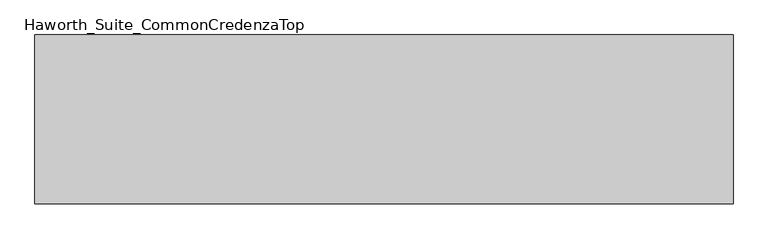
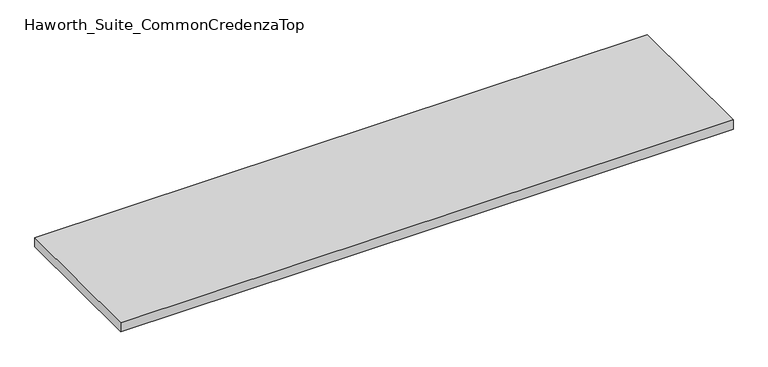
"""IFC4 building model written with IfcOpenShell, lengths in millimetres: furniture geometry, Haworth_Suite_CommonCredenzaTop."""

from ifc_helpers import new_model, si_unit, frame, origin, place, context, project, spatial, polyline, outline, extrude, source, transform, mapped, element, save


def haworth_suite_commoncredenzatop_9fd3beeb(model_context):
    return source(origin(), model_context, "Body", "SweptSolid", [
        extrude(outline(polyline([(1206.5, -31.75), (1206.5, -622.3), (-1231.9, -622.3), (-1231.9, -31.75), (1206.5, -31.75)])), frame((0.0, 0.0, 711.2), z_axis=(0.0, 0.0, 1.0), x_axis=(1.0, 0.0, 0.0)), (0.0, 0.0, 1.0), 38.1),
    ])


if __name__ == "__main__":
    model = new_model("IFC4")
    model_context = context("Model", 3, world=origin())
    ifc_project = project(units=[si_unit("LENGTHUNIT", "METRE", prefix="MILLI")], contexts=[model_context])
    site = spatial("IfcSite", under=ifc_project)
    building = spatial("IfcBuilding", under=site)
    placement = place(None, origin())
    haworth_suite_commoncredenzatop_shape = haworth_suite_commoncredenzatop_9fd3beeb(model_context)
    element("IfcFurniture", 1, ObjectType="Haworth_Suite_CommonCredenzaTop", at=placement, inside=building, context=model_context, shape_type="MappedRepresentation", body=[
        mapped(haworth_suite_commoncredenzatop_shape, transform((0.0, 0.0, 0.0), x_axis=(1.0, 0.0, 0.0), y_axis=(0.0, 1.0, 0.0), z_axis=(0.0, 0.0, 1.0))),
    ])
    save(model, "model.ifc")
